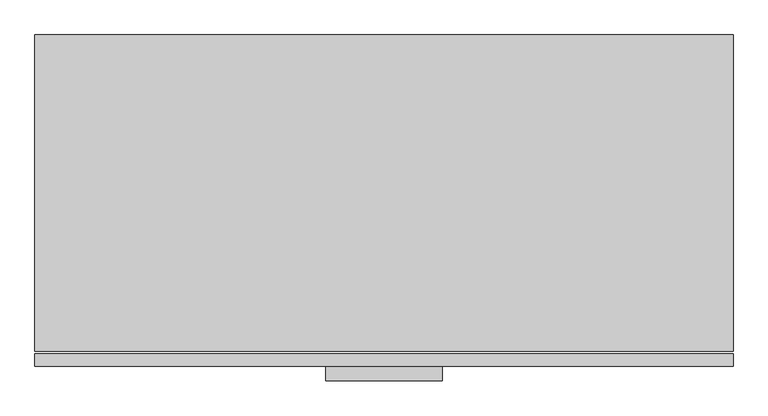
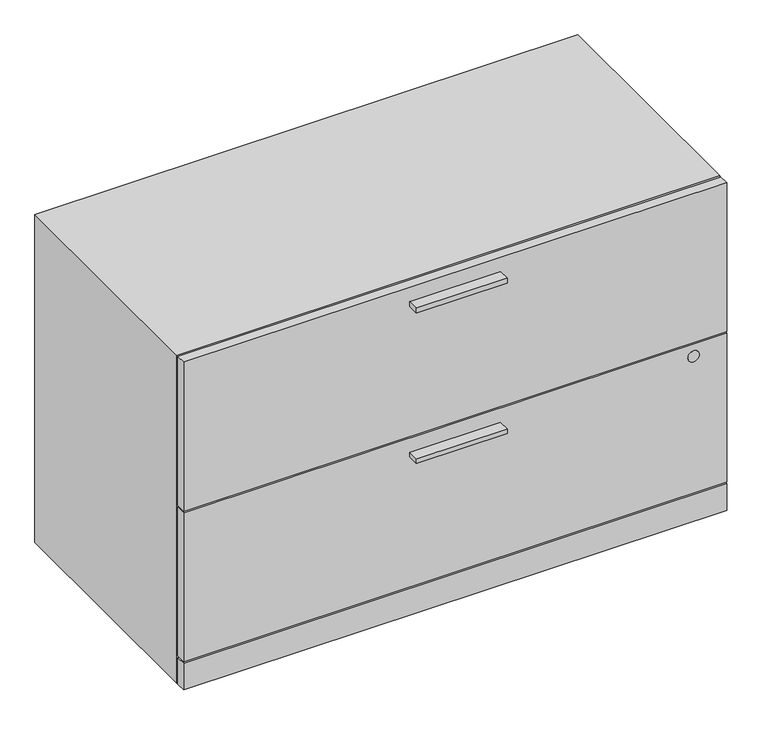
"""IFC4 building model written with IfcOpenShell, lengths in millimetres: furniture geometry."""

from ifc_helpers import new_model, si_unit, point, frame, frame_2d, origin, origin_with_axes, place, context, project, spatial, polyline, circle_curve, trimmed, segment, composite_curve, outline, extrude, faceted_brep, source, transform, mapped, element, save


def furniture_345c9a25(model_context):
    return source(origin(), model_context, "Body", "SolidModel", [
        extrude(outline(polyline([(620.7125, -527.05), (442.9125, -527.05), (442.9125, -504.825), (620.7125, -504.825), (620.7125, -527.05)])), frame((0.0, 0.0, 331.4446), z_axis=(0.0, 0.0, 1.0), x_axis=(1.0, 0.0, 0.0)), (0.0, 0.0, 1.0), 9.525),
        extrude(outline(polyline([(620.7125, -527.05), (442.9125, -527.05), (442.9125, -504.825), (620.7125, -504.825), (620.7125, -527.05)])), frame((0.0, 0.0, 643.382), z_axis=(0.0, 0.0, 1.0), x_axis=(1.0, 0.0, 0.0)), (0.0, 0.0, 1.0), 9.525),
        extrude(outline(composite_curve([segment(trimmed(circle_curve(frame_2d((345.2876, 998.9566)), 11.18616), [point((345.2876, 1010.14276))], [point((345.2876, 987.77044))], False, "CARTESIAN"), True, "CONTINUOUS"), segment(trimmed(circle_curve(frame_2d((345.2876, 998.9566)), 11.18616), [point((345.2876, 987.77044))], [point((345.2876, 1010.14276))], False, "CARTESIAN"), True, "CONTINUOUS")], self_intersect=False)), frame((0.0, -505.079, 0.0), z_axis=(0.0, 1.0, 0.0), x_axis=(0.0, 0.0, 1.0)), (0.0, 0.0, 1.0), 4.69392),
        extrude(outline(polyline([(1063.625, -485.521), (1063.625, -504.825), (0.0, -504.825), (0.0, -485.521), (1063.625, -485.521)])), frame((0.0, 0.0, 61.9252), z_axis=(0.0, 0.0, 1.0), x_axis=(1.0, 0.0, 0.0)), (0.0, 0.0, 1.0), 308.7624),
        extrude(outline(polyline([(1063.625, -485.521), (1063.625, -504.825), (0.0, -504.825), (0.0, -485.521), (1063.625, -485.521)])), frame((0.0, 0.0, 373.8626), z_axis=(0.0, 0.0, 1.0), x_axis=(1.0, 0.0, 0.0)), (0.0, 0.0, 1.0), 308.7624),
        extrude(outline(polyline([(1063.625, -485.521), (1063.625, -504.825), (0.0, -504.825), (0.0, -485.521), (1063.625, -485.521)])), frame((0.0, 0.0, 3.5814), z_axis=(0.0, 0.0, 1.0), x_axis=(1.0, 0.0, 0.0)), (0.0, 0.0, 1.0), 55.1688),
        extrude(outline(polyline([(44.5897, -26.1874), (60.2488, -35.2281856), (60.2488, -53.3097568), (44.5897, -62.3505424), (28.9306, -53.3097568), (28.9306, -35.2281856), (44.5897, -26.1874)])), origin_with_axes(), (0.0, 0.0, 1.0), 8.4328),
        extrude(outline(polyline([(44.5897, -478.6376), (28.9306, -469.5968144), (28.9306, -451.5152432), (44.5897, -442.4744576), (60.2488, -451.5152432), (60.2488, -469.5968144), (44.5897, -478.6376)])), origin_with_axes(), (0.0, 0.0, 1.0), 8.4328),
        extrude(outline(polyline([(1019.0353, -26.1874), (1034.6944, -35.2281856), (1034.6944, -53.3097568), (1019.0353, -62.3505424), (1003.3762, -53.3097568), (1003.3762, -35.2281856), (1019.0353, -26.1874)])), origin_with_axes(), (0.0, 0.0, 1.0), 8.4328),
        extrude(outline(polyline([(1019.0353, -478.6376), (1003.3762, -469.5968144), (1003.3762, -451.5152432), (1019.0353, -442.4744576), (1034.6944, -451.5152432), (1034.6944, -469.5968144), (1019.0353, -478.6376)])), origin_with_axes(), (0.0, 0.0, 1.0), 8.4328),
        faceted_brep([(1063.625, -481.7618, 682.625), (0.0, -481.7618, 682.625), (0.0, -481.7618, 3.5814), (1063.625, -481.7618, 3.5814), (19.304, -481.7618, 663.321), (1044.321, -481.7618, 663.321), (1044.321, -481.7618, 58.7502), (19.304, -481.7618, 58.7502), (1063.625, 0.0, 682.625), (1063.625, 0.0, 3.5814), (0.0, 0.0, 3.5814), (0.0, 0.0, 682.625), (1044.321, -19.304, 663.321), (19.304, -19.304, 663.321), (19.304, -19.304, 58.7502), (1044.321, -19.304, 58.7502)], [[[0, 1, 2, 3], [4, 5, 6, 7]], [[8, 9, 10, 11]], [[1, 0, 8, 11]], [[2, 1, 11, 10]], [[0, 3, 9, 8]], [[12, 13, 14, 15]], [[13, 12, 5, 4]], [[14, 13, 4, 7]], [[15, 14, 7, 6]], [[12, 15, 6, 5]], [[3, 2, 10, 9]]]),
    ])


if __name__ == "__main__":
    model = new_model("IFC4")
    model_context = context("Model", 3, world=origin())
    ifc_project = project(units=[si_unit("LENGTHUNIT", "METRE", prefix="MILLI")], contexts=[model_context])
    site = spatial("IfcSite", under=ifc_project)
    building = spatial("IfcBuilding", under=site)
    placement = place(None, origin())
    furniture_shape = furniture_345c9a25(model_context)
    element("IfcFurniture", 1, at=placement, inside=building, context=model_context, shape_type="MappedRepresentation", body=[
        mapped(furniture_shape, transform((0.0, 0.0, 0.0), x_axis=(1.0, 0.0, 0.0), y_axis=(0.0, 1.0, 0.0), z_axis=(0.0, 0.0, 1.0))),
    ])
    save(model, "model.ifc")
